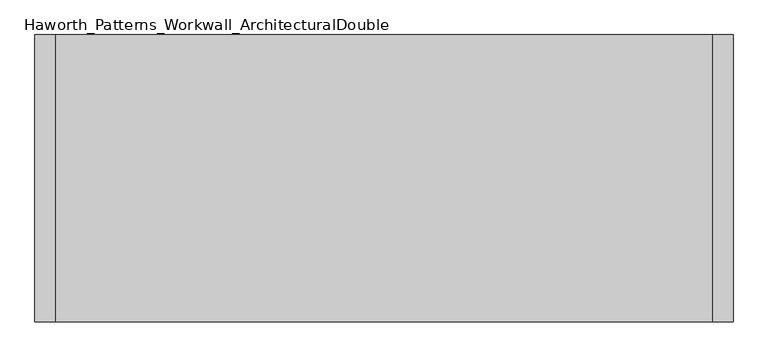
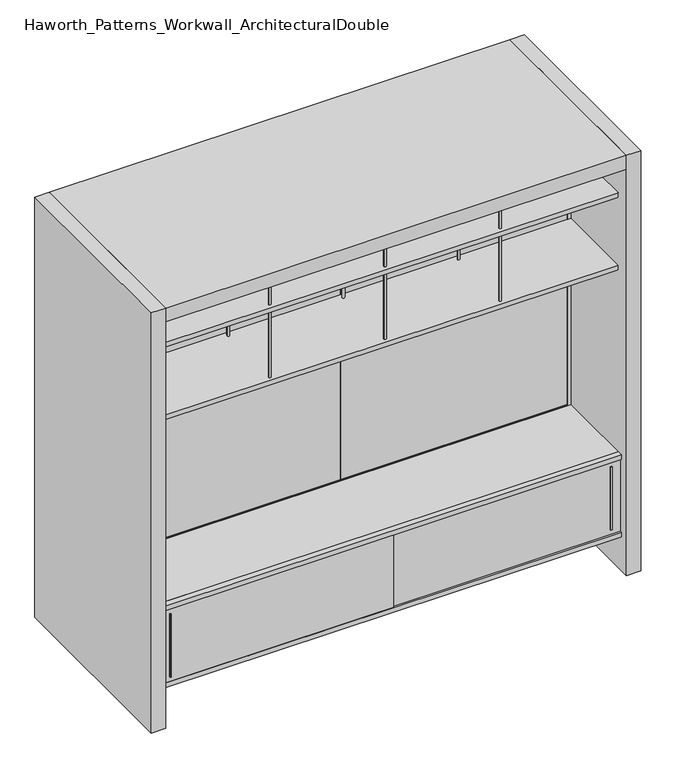
"""IFC4 building model written with IfcOpenShell, lengths in millimetres: furniture geometry, Haworth_Patterns_Workwall_ArchitecturalDouble."""

from ifc_helpers import new_model, si_unit, point, frame, frame_2d, origin, origin_with_axes, place, context, project, spatial, polyline, circle_curve, trimmed, segment, composite_curve, outline, extrude, source, transform, mapped, element, save


def haworth_patterns_workwall_architecturaldouble_cd50c163(model_context):
    return source(origin(), model_context, "Body", "SweptSolid", [
        extrude(outline(polyline([(-609.6, 333.375), (-1828.8, 333.375), (-1828.8, 352.425), (-609.6, 352.425), (-609.6, 333.375)])), frame((0.0, 0.0, 635.0), z_axis=(0.0, 0.0, 1.0), x_axis=(1.0, 0.0, 0.0)), (0.0, 0.0, 1.0), 1638.3),
        extrude(outline(polyline([(609.6, 333.375), (-609.6, 333.375), (-609.6, 352.425), (609.6, 352.425), (609.6, 333.375)])), frame((0.0, 0.0, 635.0), z_axis=(0.0, 0.0, 1.0), x_axis=(1.0, 0.0, 0.0)), (0.0, 0.0, 1.0), 1638.3),
        extrude(outline(composite_curve([segment(trimmed(circle_curve(frame_2d((-609.6, -76.2)), 6.35), [point((-615.95, -76.2))], [point((-603.25, -76.2))], False, "CARTESIAN"), True, "CONTINUOUS"), segment(trimmed(circle_curve(frame_2d((-609.6, -76.2)), 6.35), [point((-603.25, -76.2))], [point((-615.95, -76.2))], False, "CARTESIAN"), True, "CONTINUOUS")], self_intersect=False)), frame((0.0, 0.0, 1689.1), z_axis=(0.0, 0.0, 1.0), x_axis=(1.0, 0.0, 0.0)), (0.0, 0.0, 1.0), 381.0),
        extrude(outline(composite_curve([segment(trimmed(circle_curve(frame_2d((-609.6, 304.8)), 6.35), [point((-615.95, 304.8))], [point((-603.25, 304.8))], False, "CARTESIAN"), True, "CONTINUOUS"), segment(trimmed(circle_curve(frame_2d((-609.6, 304.8)), 6.35), [point((-603.25, 304.8))], [point((-615.95, 304.8))], False, "CARTESIAN"), True, "CONTINUOUS")], self_intersect=False)), frame((0.0, 0.0, 1689.1), z_axis=(0.0, 0.0, 1.0), x_axis=(1.0, 0.0, 0.0)), (0.0, 0.0, 1.0), 381.0),
        extrude(outline(composite_curve([segment(trimmed(circle_curve(frame_2d((0.0, -76.2)), 6.35), [point((-6.35, -76.2))], [point((6.35, -76.2))], False, "CARTESIAN"), True, "CONTINUOUS"), segment(trimmed(circle_curve(frame_2d((0.0, -76.2)), 6.35), [point((6.35, -76.2))], [point((-6.35, -76.2))], False, "CARTESIAN"), True, "CONTINUOUS")], self_intersect=False)), frame((0.0, 0.0, 1689.1), z_axis=(0.0, 0.0, 1.0), x_axis=(1.0, 0.0, 0.0)), (0.0, 0.0, 1.0), 381.0),
        extrude(outline(composite_curve([segment(trimmed(circle_curve(frame_2d((0.0, 304.8)), 6.35), [point((-6.35, 304.8))], [point((6.35, 304.8))], False, "CARTESIAN"), True, "CONTINUOUS"), segment(trimmed(circle_curve(frame_2d((0.0, 304.8)), 6.35), [point((6.35, 304.8))], [point((-6.35, 304.8))], False, "CARTESIAN"), True, "CONTINUOUS")], self_intersect=False)), frame((0.0, 0.0, 1689.1), z_axis=(0.0, 0.0, 1.0), x_axis=(1.0, 0.0, 0.0)), (0.0, 0.0, 1.0), 381.0),
        extrude(outline(composite_curve([segment(trimmed(circle_curve(frame_2d((-1219.2, -76.2)), 6.35), [point((-1225.55, -76.2))], [point((-1212.85, -76.2))], False, "CARTESIAN"), True, "CONTINUOUS"), segment(trimmed(circle_curve(frame_2d((-1219.2, -76.2)), 6.35), [point((-1212.85, -76.2))], [point((-1225.55, -76.2))], False, "CARTESIAN"), True, "CONTINUOUS")], self_intersect=False)), frame((0.0, 0.0, 1689.1), z_axis=(0.0, 0.0, 1.0), x_axis=(1.0, 0.0, 0.0)), (0.0, 0.0, 1.0), 381.0),
        extrude(outline(composite_curve([segment(trimmed(circle_curve(frame_2d((-1219.2, 304.8)), 6.35), [point((-1225.55, 304.8))], [point((-1212.85, 304.8))], False, "CARTESIAN"), True, "CONTINUOUS"), segment(trimmed(circle_curve(frame_2d((-1219.2, 304.8)), 6.35), [point((-1212.85, 304.8))], [point((-1225.55, 304.8))], False, "CARTESIAN"), True, "CONTINUOUS")], self_intersect=False)), frame((0.0, 0.0, 1689.1), z_axis=(0.0, 0.0, 1.0), x_axis=(1.0, 0.0, 0.0)), (0.0, 0.0, 1.0), 381.0),
        extrude(outline(polyline([(609.6, 330.2), (609.6, -101.6), (-1828.8, -101.6), (-1828.8, 330.2), (609.6, 330.2)])), frame((0.0, 0.0, 1663.7), z_axis=(0.0, 0.0, 1.0), x_axis=(1.0, 0.0, 0.0)), (0.0, 0.0, 1.0), 25.4),
        extrude(outline(polyline([(561.9750004, -130.1749879), (555.6249996, -130.1749879), (554.0375011, -117.475), (563.5624989, -117.475), (561.9750004, -130.1749879)])), frame((0.0, 0.0, 242.8875), z_axis=(0.0, 0.0, 1.0), x_axis=(1.0, 0.0, 0.0)), (0.0, 0.0, 1.0), 352.425),
        extrude(outline(polyline([(-1774.8249996, -136.5249879), (-1781.1750004, -136.5249879), (-1782.7624989, -123.825), (-1773.2375011, -123.825), (-1774.8249996, -136.5249879)])), frame((0.0, 0.0, 242.8875), z_axis=(0.0, 0.0, 1.0), x_axis=(1.0, 0.0, 0.0)), (0.0, 0.0, 1.0), 352.425),
        extrude(outline(polyline([(609.6, -101.6), (609.6, -133.35), (-1828.8, -133.35), (-1828.8, -101.6), (609.6, -101.6)])), frame((0.0, 0.0, 190.5), z_axis=(0.0, 0.0, 1.0), x_axis=(1.0, 0.0, 0.0)), (0.0, 0.0, 1.0), 25.4),
        extrude(outline(polyline([(609.6, -101.6), (609.6, -133.35), (-1828.8, -133.35), (-1828.8, -101.6), (609.6, -101.6)])), frame((0.0, 0.0, 622.3), z_axis=(0.0, 0.0, 1.0), x_axis=(1.0, 0.0, 0.0)), (0.0, 0.0, 1.0), 25.4),
        extrude(outline(polyline([(-1828.8, -123.825), (-596.9, -123.825), (-596.9, -130.175), (-1828.8, -130.175), (-1828.8, -123.825)])), frame((0.0, 0.0, 215.9), z_axis=(0.0, 0.0, 1.0), x_axis=(1.0, 0.0, 0.0)), (0.0, 0.0, 1.0), 406.4),
        extrude(outline(polyline([(-622.3, -117.475), (609.6, -117.475), (609.6, -123.825), (-622.3, -123.825), (-622.3, -117.475)])), frame((0.0, 0.0, 215.9), z_axis=(0.0, 0.0, 1.0), x_axis=(1.0, 0.0, 0.0)), (0.0, 0.0, 1.0), 406.4),
        extrude(outline(polyline([(-600.075, -101.6), (-619.125, -101.6), (-619.125, 330.2), (-600.075, 330.2), (-600.075, -101.6)])), frame((0.0, 0.0, 215.9), z_axis=(0.0, 0.0, 1.0), x_axis=(1.0, 0.0, 0.0)), (0.0, 0.0, 1.0), 406.4),
        extrude(outline(polyline([(9.525, -101.6), (-9.525, -101.6), (-9.525, 330.2), (9.525, 330.2), (9.525, -101.6)])), frame((0.0, 0.0, 215.9), z_axis=(0.0, 0.0, 1.0), x_axis=(1.0, 0.0, 0.0)), (0.0, 0.0, 1.0), 406.4),
        extrude(outline(polyline([(-1209.675, -101.6), (-1228.725, -101.6), (-1228.725, 330.2), (-1209.675, 330.2), (-1209.675, -101.6)])), frame((0.0, 0.0, 215.9), z_axis=(0.0, 0.0, 1.0), x_axis=(1.0, 0.0, 0.0)), (0.0, 0.0, 1.0), 406.4),
        extrude(outline(polyline([(609.6, 330.2), (609.6, -101.6), (-1828.8, -101.6), (-1828.8, 330.2), (609.6, 330.2)])), frame((0.0, 0.0, 622.3), z_axis=(0.0, 0.0, 1.0), x_axis=(1.0, 0.0, 0.0)), (0.0, 0.0, 1.0), 25.4),
        extrude(outline(polyline([(-101.6, 215.9), (330.2, 215.9), (330.2, 190.5), (123.825, 190.5), (123.825, 0.0), (104.775, 0.0), (104.775, 190.5), (-101.6, 190.5), (-101.6, 215.9)])), frame((-1828.8, 0.0, 0.0), z_axis=(1.0, 0.0, 0.0), x_axis=(0.0, 1.0, 0.0)), (0.0, 0.0, 1.0), 2438.4),
        extrude(outline(composite_curve([segment(trimmed(circle_curve(frame_2d((-609.6, -76.2)), 6.35), [point((-615.95, -76.2))], [point((-603.25, -76.2))], False, "CARTESIAN"), True, "CONTINUOUS"), segment(trimmed(circle_curve(frame_2d((-609.6, -76.2)), 6.35), [point((-603.25, -76.2))], [point((-615.95, -76.2))], False, "CARTESIAN"), True, "CONTINUOUS")], self_intersect=False)), frame((0.0, 0.0, 2095.5), z_axis=(0.0, 0.0, 1.0), x_axis=(1.0, 0.0, 0.0)), (0.0, 0.0, 1.0), 177.8),
        extrude(outline(composite_curve([segment(trimmed(circle_curve(frame_2d((-609.6, 304.8)), 6.35), [point((-615.95, 304.8))], [point((-603.25, 304.8))], False, "CARTESIAN"), True, "CONTINUOUS"), segment(trimmed(circle_curve(frame_2d((-609.6, 304.8)), 6.35), [point((-603.25, 304.8))], [point((-615.95, 304.8))], False, "CARTESIAN"), True, "CONTINUOUS")], self_intersect=False)), frame((0.0, 0.0, 2095.5), z_axis=(0.0, 0.0, 1.0), x_axis=(1.0, 0.0, 0.0)), (0.0, 0.0, 1.0), 177.8),
        extrude(outline(composite_curve([segment(trimmed(circle_curve(frame_2d((0.0, -76.2)), 6.35), [point((-6.35, -76.2))], [point((6.35, -76.2))], False, "CARTESIAN"), True, "CONTINUOUS"), segment(trimmed(circle_curve(frame_2d((0.0, -76.2)), 6.35), [point((6.35, -76.2))], [point((-6.35, -76.2))], False, "CARTESIAN"), True, "CONTINUOUS")], self_intersect=False)), frame((0.0, 0.0, 2095.5), z_axis=(0.0, 0.0, 1.0), x_axis=(1.0, 0.0, 0.0)), (0.0, 0.0, 1.0), 177.8),
        extrude(outline(composite_curve([segment(trimmed(circle_curve(frame_2d((0.0, 304.8)), 6.35), [point((-6.35, 304.8))], [point((6.35, 304.8))], False, "CARTESIAN"), True, "CONTINUOUS"), segment(trimmed(circle_curve(frame_2d((0.0, 304.8)), 6.35), [point((6.35, 304.8))], [point((-6.35, 304.8))], False, "CARTESIAN"), True, "CONTINUOUS")], self_intersect=False)), frame((0.0, 0.0, 2095.5), z_axis=(0.0, 0.0, 1.0), x_axis=(1.0, 0.0, 0.0)), (0.0, 0.0, 1.0), 177.8),
        extrude(outline(composite_curve([segment(trimmed(circle_curve(frame_2d((-1219.2, -76.2)), 6.35), [point((-1225.55, -76.2))], [point((-1212.85, -76.2))], False, "CARTESIAN"), True, "CONTINUOUS"), segment(trimmed(circle_curve(frame_2d((-1219.2, -76.2)), 6.35), [point((-1212.85, -76.2))], [point((-1225.55, -76.2))], False, "CARTESIAN"), True, "CONTINUOUS")], self_intersect=False)), frame((0.0, 0.0, 2095.5), z_axis=(0.0, 0.0, 1.0), x_axis=(1.0, 0.0, 0.0)), (0.0, 0.0, 1.0), 177.8),
        extrude(outline(composite_curve([segment(trimmed(circle_curve(frame_2d((-1219.2, 304.8)), 6.35), [point((-1225.55, 304.8))], [point((-1212.85, 304.8))], False, "CARTESIAN"), True, "CONTINUOUS"), segment(trimmed(circle_curve(frame_2d((-1219.2, 304.8)), 6.35), [point((-1212.85, 304.8))], [point((-1225.55, 304.8))], False, "CARTESIAN"), True, "CONTINUOUS")], self_intersect=False)), frame((0.0, 0.0, 2095.5), z_axis=(0.0, 0.0, 1.0), x_axis=(1.0, 0.0, 0.0)), (0.0, 0.0, 1.0), 177.8),
        extrude(outline(polyline([(609.6, 330.2), (609.6, -101.6), (-1828.8, -101.6), (-1828.8, 330.2), (609.6, 330.2)])), frame((0.0, 0.0, 2070.1), z_axis=(0.0, 0.0, 1.0), x_axis=(1.0, 0.0, 0.0)), (0.0, 0.0, 1.0), 25.4),
        extrude(outline(polyline([(-1828.8, 889.0), (-1828.8, -177.8), (-1905.0, -177.8), (-1905.0, 889.0), (-1828.8, 889.0)])), origin_with_axes(), (0.0, 0.0, 1.0), 2349.5),
        extrude(outline(polyline([(685.8, -177.8), (609.6, -177.8), (609.6, 889.0), (685.8, 889.0), (685.8, -177.8)])), origin_with_axes(), (0.0, 0.0, 1.0), 2349.5),
        extrude(outline(polyline([(2273.3, 609.6), (2273.3, -1828.8), (635.0, -1828.8), (635.0, 609.6), (2273.3, 609.6)]), holes=[polyline([(2254.25, 590.55), (654.05, 590.55), (654.05, -1809.75), (2254.25, -1809.75), (2254.25, 590.55)])]), frame((0.0, 330.2, 0.0), z_axis=(0.0, 1.0, 0.0), x_axis=(0.0, 0.0, 1.0)), (0.0, 0.0, 1.0), 25.4),
        extrude(outline(polyline([(590.55, 330.2), (-1809.75, 330.2), (-1809.75, 355.6), (590.55, 355.6), (590.55, 330.2)])), frame((0.0, 0.0, 114.3), z_axis=(0.0, 0.0, 1.0), x_axis=(1.0, 0.0, 0.0)), (0.0, 0.0, 1.0), 495.3),
        extrude(outline(polyline([(635.0, 609.6), (635.0, -1828.8), (0.0, -1828.8), (0.0, 609.6), (635.0, 609.6)]), holes=[polyline([(609.6, 590.55), (114.3, 590.55), (114.3, -1809.75), (609.6, -1809.75), (609.6, 590.55)])]), frame((0.0, 330.2, 0.0), z_axis=(0.0, 1.0, 0.0), x_axis=(0.0, 0.0, 1.0)), (0.0, 0.0, 1.0), 25.4),
        extrude(outline(polyline([(609.6, -177.8), (-1828.8, -177.8), (-1828.8, 889.0), (609.6, 889.0), (609.6, -177.8)])), frame((0.0, 0.0, 2273.3), z_axis=(0.0, 0.0, 1.0), x_axis=(1.0, 0.0, 0.0)), (0.0, 0.0, 1.0), 76.2),
    ])


if __name__ == "__main__":
    model = new_model("IFC4")
    model_context = context("Model", 3, world=origin())
    ifc_project = project(units=[si_unit("LENGTHUNIT", "METRE", prefix="MILLI")], contexts=[model_context])
    site = spatial("IfcSite", under=ifc_project)
    building = spatial("IfcBuilding", under=site)
    placement = place(None, origin())
    haworth_patterns_workwall_architecturaldouble_shape = haworth_patterns_workwall_architecturaldouble_cd50c163(model_context)
    element("IfcFurniture", 1, ObjectType="Haworth_Patterns_Workwall_ArchitecturalDouble", at=placement, inside=building, context=model_context, shape_type="MappedRepresentation", body=[
        mapped(haworth_patterns_workwall_architecturaldouble_shape, transform((0.0, 0.0, 0.0), x_axis=(1.0, 0.0, 0.0), y_axis=(0.0, 1.0, 0.0), z_axis=(0.0, 0.0, 1.0))),
    ])
    save(model, "model.ifc")
